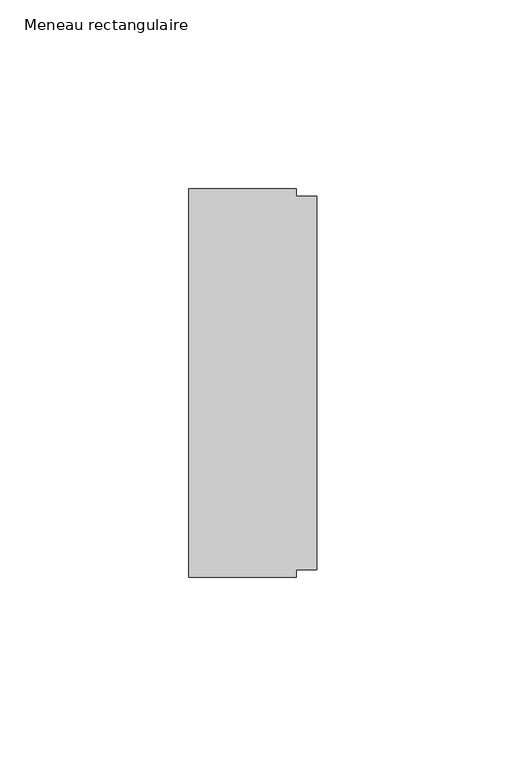
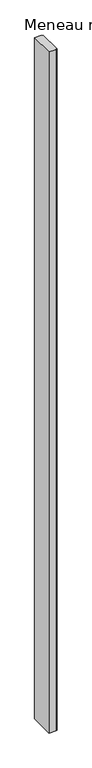
"""IFC4 building model written with IfcOpenShell, lengths in millimetres: member geometry, Meneau rectangulaire."""

import ifcopenshell
import ifcopenshell.guid

model = None  # the IFC model being written
_history = None  # IfcOwnerHistory: only IFC2X3 demands one
_inside = {}  # id of a spatial element -> (the spatial element, [elements in it])
_under = {}  # id of a project, library or spatial element -> (it, [spatial elements below it])
_declared = {}  # id of a project -> (the project, [libraries it declares])
_typed = {}  # id of a type object -> (the type object, [elements of that type])
_made_of = {}  # id of a material, layer set ... -> (it, [elements and type objects made of it])


def new_model(schema):
    """Start an empty IFC model of exactly this schema.

    Asked for "IFC4X3", IfcOpenShell would pick the latest addendum, in which some entities
    have other attributes; the version numbers below select the first issue.
    IFC2X3 requires an IfcOwnerHistory on every rooted entity: one is made here for all.
    """
    global model, _history
    if schema == "IFC4X3":
        model = ifcopenshell.file(schema_version=(4, 3, 0, 0))
    else:
        model = ifcopenshell.file(schema=schema)
    _inside.clear()
    _under.clear()
    _declared.clear()
    _typed.clear()
    _made_of.clear()
    _history = None
    if model.schema == "IFC2X3":
        org = make("IfcOrganization", Name="unknown")
        user = make(
            "IfcPersonAndOrganization",
            ThePerson=make("IfcPerson", FamilyName="unknown"),
            TheOrganization=org,
        )
        app = make(
            "IfcApplication",
            ApplicationDeveloper=org,
            Version="unknown",
            ApplicationFullName="unknown",
            ApplicationIdentifier="unknown",
        )
        _history = make(
            "IfcOwnerHistory",
            OwningUser=user,
            OwningApplication=app,
            ChangeAction="ADDED",
            CreationDate=0,
        )
    return model


def make(cls, **values):
    """One entity of the class cls with the attributes given. An attribute that is None is left unset."""
    return model.create_entity(
        cls, **{name: value for name, value in values.items() if value is not None}
    )


def rooted(cls, **values):
    """An entity with a GlobalId (a new one), such as an element, a storey or a relation."""
    return make(cls, GlobalId=ifcopenshell.guid.new(), OwnerHistory=_history, **values)


def si_unit(unit_type, name, prefix=None):
    """IfcSIUnit, for example si_unit("LENGTHUNIT", "METRE", prefix="MILLI")."""
    return make("IfcSIUnit", UnitType=unit_type, Prefix=prefix, Name=name)


def assignment(units):
    """IfcUnitAssignment: the units of a project."""
    return None if units is None else make("IfcUnitAssignment", Units=units)


def point(xyz):
    """IfcCartesianPoint."""
    return None if xyz is None else make("IfcCartesianPoint", Coordinates=xyz)


def direction(xyz):
    """IfcDirection."""
    return None if xyz is None else make("IfcDirection", DirectionRatios=xyz)


def frame(location, z_axis=None, x_axis=None):
    """IfcAxis2Placement3D, a coordinate frame: its origin and axes. An axis left out is left unset."""
    return make(
        "IfcAxis2Placement3D",
        Location=point(location),
        Axis=direction(z_axis),
        RefDirection=direction(x_axis),
    )


def origin():
    """The frame at (0, 0, 0) with its axes left unset."""
    return frame((0.0, 0.0, 0.0))


def place(relative_to, where):
    """IfcLocalPlacement: puts the frame where relative to a parent placement (None: the world)."""
    return make(
        "IfcLocalPlacement", PlacementRelTo=relative_to, RelativePlacement=where
    )


def context(
    kind, dimensions, precision=None, world=None, true_north=None, identifier=None
):
    """IfcGeometricRepresentationContext, for example the 3D "Model" context."""
    return make(
        "IfcGeometricRepresentationContext",
        ContextIdentifier=identifier,
        ContextType=kind,
        CoordinateSpaceDimension=dimensions,
        Precision=precision,
        WorldCoordinateSystem=world,
        TrueNorth=true_north,
    )


def project(units=None, contexts=None):
    """IfcProject with its units and contexts."""
    return rooted(
        "IfcProject",
        Name="project",
        RepresentationContexts=contexts,
        UnitsInContext=assignment(units),
    )


def spatial(cls, under=None, at=None, **own):
    """A site, building, storey or space (cls), placed at a placement, below another one or the project."""
    s = rooted(cls, ObjectPlacement=at, **own)
    if under is not None:
        _under.setdefault(under.id(), (under, []))[1].append(s)
    return s


def polyline(points):
    """IfcPolyline through the points."""
    return make("IfcPolyline", Points=[point(p) for p in points])


def outline(outer, holes=None, kind="AREA"):
    """IfcArbitraryClosedProfileDef: a profile drawn as a closed curve; with holes, ...WithVoids."""
    if holes is None:
        return make("IfcArbitraryClosedProfileDef", ProfileType=kind, OuterCurve=outer)
    return make(
        "IfcArbitraryProfileDefWithVoids",
        ProfileType=kind,
        OuterCurve=outer,
        InnerCurves=holes,
    )


def extrude(swept, where, along, depth):
    """IfcExtrudedAreaSolid: the profile swept, set in the frame where, extruded along a direction by depth."""
    return make(
        "IfcExtrudedAreaSolid",
        SweptArea=swept,
        Position=where,
        ExtrudedDirection=direction(along),
        Depth=depth,
    )


def shape(context_of_items, identifier, shape_type, items):
    """IfcShapeRepresentation: the items that make up one representation, for example the "Body"."""
    return make(
        "IfcShapeRepresentation",
        ContextOfItems=context_of_items,
        RepresentationIdentifier=identifier,
        RepresentationType=shape_type,
        Items=items,
    )


def source(mapping_origin, context_of_items, identifier, shape_type, items):
    """IfcRepresentationMap: a shape defined once, which mapped items show again and again."""
    return make(
        "IfcRepresentationMap",
        MappingOrigin=mapping_origin,
        MappedRepresentation=shape(context_of_items, identifier, shape_type, items),
    )


def transform(
    local_origin,
    x_axis=None,
    y_axis=None,
    z_axis=None,
    scale=None,
    scale2=None,
    scale3=None,
    uniform=True,
):
    """IfcCartesianTransformationOperator3D, or its non-uniform kind. x_axis, y_axis, z_axis: its Axis1, 2, 3."""
    if uniform:
        return make(
            "IfcCartesianTransformationOperator3D",
            Axis1=direction(x_axis),
            Axis2=direction(y_axis),
            LocalOrigin=point(local_origin),
            Scale=scale,
            Axis3=direction(z_axis),
        )
    return make(
        "IfcCartesianTransformationOperator3DnonUniform",
        Axis1=direction(x_axis),
        Axis2=direction(y_axis),
        LocalOrigin=point(local_origin),
        Scale=scale,
        Axis3=direction(z_axis),
        Scale2=scale2,
        Scale3=scale3,
    )


def mapped(mapping_source, mapping_target):
    """IfcMappedItem: shows the shape of a source again, moved by a transform."""
    return make(
        "IfcMappedItem", MappingSource=mapping_source, MappingTarget=mapping_target
    )


def made_of(thing, what):
    """Note that an element or type object is made of a material, layer set ...; save() writes the relation."""
    if what is not None:
        _made_of.setdefault(what.id(), (what, []))[1].append(thing)
    return thing


def element(
    cls,
    number,
    at=None,
    inside=None,
    cuts=None,
    type_object=None,
    material=None,
    context=None,
    identifier="Body",
    shape_type=None,
    held_by="IfcProductDefinitionShape",
    body=None,
    shapes=None,
    **own,
):
    """One element of the class cls, such as IfcWall. Its Tag is "e" and its number.

    at: its placement. inside: the storey or other place that contains it. cuts: it is an
    opening in that element (IfcRelVoidsElement). A single representation is given by context,
    identifier, shape_type and body (its items); several are given by shapes. held_by: the class
    of the entity that holds the representations. save() writes the other relations.
    """
    e = rooted(cls, Tag="e%d" % number, ObjectPlacement=at, **own)
    if body is not None:
        shapes = [shape(context, identifier, shape_type, body)]
    if shapes is not None:
        e.Representation = make(held_by, Representations=shapes)
    if inside is not None:
        _inside.setdefault(inside.id(), (inside, []))[1].append(e)
    if cuts is not None:
        rooted(
            "IfcRelVoidsElement", RelatingBuildingElement=cuts, RelatedOpeningElement=e
        )
    if type_object is not None:
        _typed.setdefault(type_object.id(), (type_object, []))[1].append(e)
    return made_of(e, material)


def aggregate(whole, parts):
    """IfcRelAggregates: a whole, such as a stair, and the parts it consists of."""
    return rooted("IfcRelAggregates", RelatingObject=whole, RelatedObjects=parts)


def save(model, path):
    """Write the relations noted so far, then the file.

    IfcRelAggregates (storeys below a building ...), IfcRelContainedInSpatialStructure (elements
    in a storey), IfcRelDefinesByType, IfcRelAssociatesMaterial and IfcRelDeclares: one each for
    every whole, place, type object, material and project.
    """
    for whole, parts in _under.values():
        aggregate(whole, parts)
    for where, things in _inside.values():
        rooted(
            "IfcRelContainedInSpatialStructure",
            RelatedElements=things,
            RelatingStructure=where,
        )
    for kind, things in _typed.values():
        rooted("IfcRelDefinesByType", RelatedObjects=things, RelatingType=kind)
    for what, things in _made_of.values():
        rooted("IfcRelAssociatesMaterial", RelatedObjects=things, RelatingMaterial=what)
    for by, libraries in _declared.values():
        rooted("IfcRelDeclares", RelatingContext=by, RelatedDefinitions=libraries)
    model.write(path)


def meneau_rectangulaire_808f134f(model_context):
    return source(origin(), model_context, "Body", "SweptSolid", [
        extrude(outline(polyline([(0.0, 49.5), (0.0, -49.5), (-5.5, -49.5), (-5.5, -51.5), (-34.0, -51.5), (-34.0, 51.5), (-5.5, 51.5), (-5.5, 49.5), (0.0, 49.5)])), frame((0.0, 0.0, -3000.0), z_axis=(0.0, 0.0, 1.0), x_axis=(1.0, 0.0, 0.0)), (0.0, 0.0, 1.0), 3000.0),
    ])


if __name__ == "__main__":
    model = new_model("IFC4")
    model_context = context("Model", 3, world=origin())
    ifc_project = project(units=[si_unit("LENGTHUNIT", "METRE", prefix="MILLI")], contexts=[model_context])
    site = spatial("IfcSite", under=ifc_project)
    building = spatial("IfcBuilding", under=site)
    placement = place(None, origin())
    meneau_rectangulaire_shape = meneau_rectangulaire_808f134f(model_context)
    element("IfcMember", 1, ObjectType="Meneau rectangulaire", at=placement, inside=building, context=model_context, shape_type="MappedRepresentation", body=[
        mapped(meneau_rectangulaire_shape, transform((0.0, 0.0, 0.0), x_axis=(1.0, 0.0, 0.0), y_axis=(0.0, 1.0, 0.0), z_axis=(0.0, 0.0, 1.0))),
    ])
    save(model, "model.ifc")
